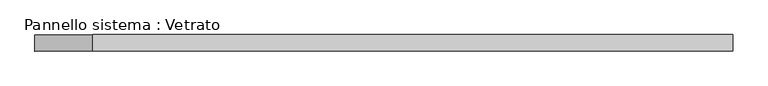
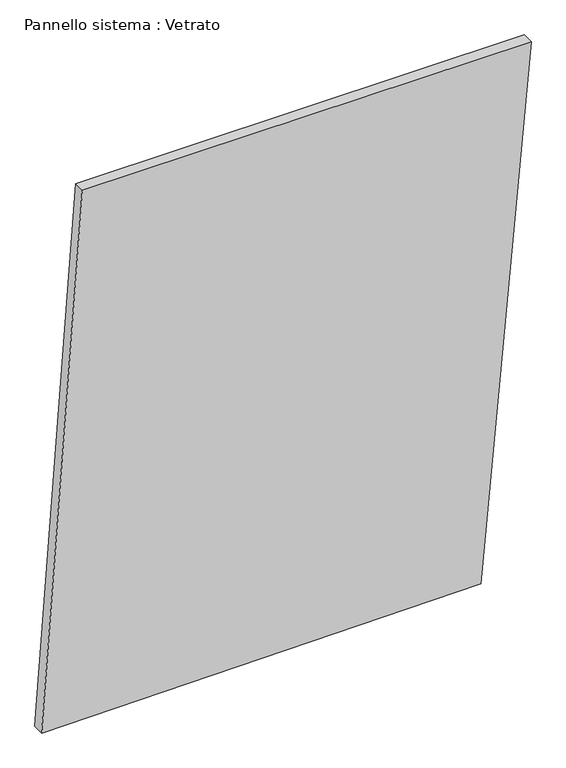
"""IFC4 building model written with IfcOpenShell, lengths in millimetres: plate geometry, Pannello sistema : Vetrato."""

from ifc_helpers import new_model, si_unit, frame, origin, place, context, project, spatial, polyline, outline, extrude, source, transform, mapped, element, save


def pannello_sistema_vetrato_0f0cb906(model_context):
    return source(origin(), model_context, "Body", "SweptSolid", [
        extrude(outline(polyline([(0.0, -634.0280315), (9.9395617, 503.4162725), (1448.1090516, 634.0280315), (1448.1090516, -528.7308681), (0.0, -634.0280315)])), frame((0.0, -15.0, 0.0), z_axis=(0.0, 1.0, 0.0), x_axis=(0.0, 0.0, 1.0)), (0.0, 0.0, 1.0), 30.0),
    ])


if __name__ == "__main__":
    model = new_model("IFC4")
    model_context = context("Model", 3, world=origin())
    ifc_project = project(units=[si_unit("LENGTHUNIT", "METRE", prefix="MILLI")], contexts=[model_context])
    site = spatial("IfcSite", under=ifc_project)
    building = spatial("IfcBuilding", under=site)
    placement = place(None, origin())
    pannello_sistema_vetrato_shape = pannello_sistema_vetrato_0f0cb906(model_context)
    element("IfcPlate", 1, ObjectType="Pannello sistema : Vetrato", at=placement, inside=building, context=model_context, shape_type="MappedRepresentation", body=[
        mapped(pannello_sistema_vetrato_shape, transform((0.0, 0.0, 0.0), x_axis=(1.0, 0.0, 0.0), y_axis=(0.0, 1.0, 0.0), z_axis=(0.0, 0.0, 1.0))),
    ])
    save(model, "model.ifc")
